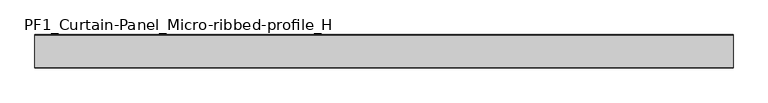
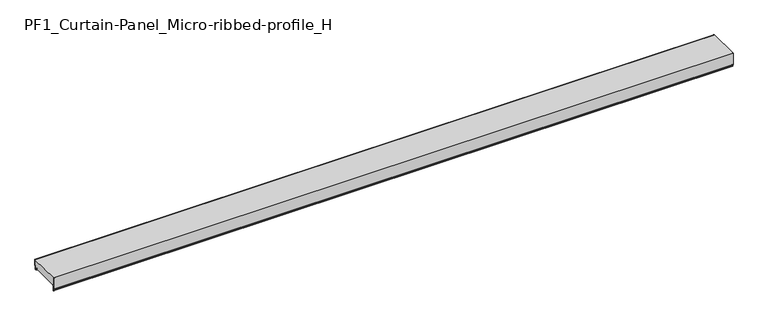
"""IFC4 building model written with IfcOpenShell, lengths in millimetres: plate geometry, PF1_Curtain-Panel_Micro-ribbed-profile_H."""

from ifc_helpers import new_model, si_unit, point, frame, frame_2d, origin, place, context, project, spatial, polyline, circle_curve, trimmed, segment, composite_curve, outline, extrude, source, transform, mapped, element, save


def pf1_curtain_panel_micro_ribbed_profile_h_ad6fae32(model_context):
    return source(origin(), model_context, "Body", "SweptSolid", [
        extrude(outline(composite_curve([segment(polyline([(-190.0, 0.0), (-193.5, 0.0)]), True, "CONTINUOUS"), segment(trimmed(circle_curve(frame_2d((-193.5, -2.0)), 2.0), [point((-193.5, 0.0))], [point((-195.5, -2.0))], True, "CARTESIAN"), True, "CONTINUOUS"), segment(polyline([(-195.5, -2.0), (-195.5, -33.0)]), True, "CONTINUOUS"), segment(trimmed(circle_curve(frame_2d((-196.5, -33.0)), 1.0), [point((-195.5, -33.0))], [point((-197.5, -33.0))], False, "CARTESIAN"), True, "CONTINUOUS"), segment(polyline([(-197.5, -33.0), (-197.5, -26.9)]), True, "CONTINUOUS"), segment(trimmed(circle_curve(frame_2d((-198.4, -26.9)), 0.9), [point((-197.5, -26.9))], [point((-198.4, -26.0))], True, "CARTESIAN"), True, "CONTINUOUS"), segment(trimmed(circle_curve(frame_2d((-198.4, -24.4)), 1.6), [point((-198.4, -26.0))], [point((-200.0, -24.4))], False, "CARTESIAN"), True, "CONTINUOUS"), segment(polyline([(-200.0, -24.4), (-200.0, 50.0), (-199.2, 50.0), (-199.2, -24.4)]), True, "CONTINUOUS"), segment(trimmed(circle_curve(frame_2d((-198.4, -24.4)), 0.8), [point((-199.2, -24.4))], [point((-198.4, -25.2))], True, "CARTESIAN"), True, "CONTINUOUS"), segment(trimmed(circle_curve(frame_2d((-198.6133333, -26.9)), 1.7133333), [point((-198.4, -25.2))], [point((-196.9, -26.9))], False, "CARTESIAN"), True, "CONTINUOUS"), segment(polyline([(-196.9, -26.9), (-196.9, -32.8700312)]), True, "CONTINUOUS"), segment(trimmed(circle_curve(frame_2d((-196.6, -32.8700312)), 0.3), [point((-196.9, -32.8700312))], [point((-196.3, -32.8700312))], True, "CARTESIAN"), True, "CONTINUOUS"), segment(polyline([(-196.3, -32.8700312), (-196.3, -2.0)]), True, "CONTINUOUS"), segment(trimmed(circle_curve(frame_2d((-193.5, -2.0)), 2.8), [point((-196.3, -2.0))], [point((-193.5, 0.8))], False, "CARTESIAN"), True, "CONTINUOUS"), segment(polyline([(-193.5, 0.8), (-190.0, 0.8), (-190.0, 0.0)]), True, "CONTINUOUS")], self_intersect=False)), frame((-2100.0, 0.0, 0.0), z_axis=(1.0, 0.0, 0.0), x_axis=(0.0, 1.0, 0.0)), (0.0, 0.0, 1.0), 4200.0),
        extrude(outline(composite_curve([segment(polyline([(-15.878557, 0.0), (-20.0, 0.0), (-20.0, 0.8), (-15.878557, 0.8)]), True, "CONTINUOUS"), segment(trimmed(circle_curve(frame_2d((-15.878557, -2.0)), 2.8), [point((-15.878557, 0.8))], [point((-13.1503208, -1.370137))], False, "CARTESIAN"), True, "CONTINUOUS"), segment(polyline([(-13.1503208, -1.370137), (-11.728236, -7.529863)]), True, "CONTINUOUS"), segment(trimmed(circle_curve(frame_2d((-9.0, -6.9)), 2.8), [point((-11.728236, -7.529863))], [point((-6.2, -6.9))], True, "CARTESIAN"), True, "CONTINUOUS"), segment(polyline([(-6.2, -6.9), (-6.2, 8.6)]), True, "CONTINUOUS"), segment(trimmed(circle_curve(frame_2d((-3.4, 8.6)), 2.8), [point((-6.2, 8.6))], [point((-3.4, 11.4))], False, "CARTESIAN"), True, "CONTINUOUS"), segment(polyline([(-3.4, 11.4), (-2.0, 11.4)]), True, "CONTINUOUS"), segment(trimmed(circle_curve(frame_2d((-2.0, 12.6)), 1.2), [point((-2.0, 11.4))], [point((-0.8, 12.6))], True, "CARTESIAN"), True, "CONTINUOUS"), segment(polyline([(-0.8, 12.6), (-0.8, 50.0), (0.0, 50.0), (0.0, 12.6)]), True, "CONTINUOUS"), segment(trimmed(circle_curve(frame_2d((-2.0, 12.6)), 2.0), [point((0.0, 12.6))], [point((-2.0, 10.6))], False, "CARTESIAN"), True, "CONTINUOUS"), segment(polyline([(-2.0, 10.6), (-3.4, 10.6)]), True, "CONTINUOUS"), segment(trimmed(circle_curve(frame_2d((-3.4, 8.6)), 2.0), [point((-3.4, 10.6))], [point((-5.4, 8.6))], True, "CARTESIAN"), True, "CONTINUOUS"), segment(polyline([(-5.4, 8.6), (-5.4, -6.9)]), True, "CONTINUOUS"), segment(trimmed(circle_curve(frame_2d((-9.0, -6.9)), 3.6), [point((-5.4, -6.9))], [point((-12.5077322, -7.7098239))], False, "CARTESIAN"), True, "CONTINUOUS"), segment(polyline([(-12.5077322, -7.7098239), (-13.929817, -1.5500979)]), True, "CONTINUOUS"), segment(trimmed(circle_curve(frame_2d((-15.878557, -2.0)), 2.0), [point((-13.929817, -1.5500979))], [point((-15.878557, 0.0))], True, "CARTESIAN"), True, "CONTINUOUS")], self_intersect=False)), frame((-2100.0, 0.0, 0.0), z_axis=(1.0, 0.0, 0.0), x_axis=(0.0, 1.0, 0.0)), (0.0, 0.0, 1.0), 4200.0),
        extrude(outline(composite_curve([segment(polyline([(-190.0, 0.8), (-193.5, 0.8)]), True, "CONTINUOUS"), segment(trimmed(circle_curve(frame_2d((-193.5, -2.0)), 2.8), [point((-193.5, 0.8))], [point((-196.3, -2.0))], True, "CARTESIAN"), True, "CONTINUOUS"), segment(polyline([(-196.3, -2.0), (-196.3, -32.8700312)]), True, "CONTINUOUS"), segment(trimmed(circle_curve(frame_2d((-196.6, -32.8700312)), 0.3), [point((-196.3, -32.8700312))], [point((-196.9, -32.8700312))], False, "CARTESIAN"), True, "CONTINUOUS"), segment(polyline([(-196.9, -32.8700312), (-196.9, -26.9)]), True, "CONTINUOUS"), segment(trimmed(circle_curve(frame_2d((-198.6133333, -26.9)), 1.7133333), [point((-196.9, -26.9))], [point((-198.4, -25.2))], True, "CARTESIAN"), True, "CONTINUOUS"), segment(trimmed(circle_curve(frame_2d((-198.4, -24.4)), 0.8), [point((-198.4, -25.2))], [point((-199.2, -24.4))], False, "CARTESIAN"), True, "CONTINUOUS"), segment(polyline([(-199.2, -24.4), (-199.2, 50.0), (-0.8, 50.0), (-0.8, 12.6)]), True, "CONTINUOUS"), segment(trimmed(circle_curve(frame_2d((-2.0, 12.6)), 1.2), [point((-0.8, 12.6))], [point((-2.0, 11.4))], False, "CARTESIAN"), True, "CONTINUOUS"), segment(polyline([(-2.0, 11.4), (-3.4, 11.4)]), True, "CONTINUOUS"), segment(trimmed(circle_curve(frame_2d((-3.4, 8.6)), 2.8), [point((-3.4, 11.4))], [point((-6.2, 8.6))], True, "CARTESIAN"), True, "CONTINUOUS"), segment(polyline([(-6.2, 8.6), (-6.2, -6.9)]), True, "CONTINUOUS"), segment(trimmed(circle_curve(frame_2d((-9.0, -6.9)), 2.8), [point((-6.2, -6.9))], [point((-11.7282362, -7.529863))], False, "CARTESIAN"), True, "CONTINUOUS"), segment(polyline([(-11.7282362, -7.529863), (-13.1503208, -1.370137)]), True, "CONTINUOUS"), segment(trimmed(circle_curve(frame_2d((-15.878557, -2.0)), 2.8), [point((-13.1503208, -1.370137))], [point((-15.878557, 0.8))], True, "CARTESIAN"), True, "CONTINUOUS"), segment(polyline([(-15.878557, 0.8), (-20.0, 0.8), (-20.0, 0.0), (-190.0, 0.0), (-190.0, 0.8)]), True, "CONTINUOUS")], self_intersect=False)), frame((-2100.0, 0.0, 0.0), z_axis=(1.0, 0.0, 0.0), x_axis=(0.0, 1.0, 0.0)), (0.0, 0.0, 1.0), 4200.0),
    ])


if __name__ == "__main__":
    model = new_model("IFC4")
    model_context = context("Model", 3, world=origin())
    ifc_project = project(units=[si_unit("LENGTHUNIT", "METRE", prefix="MILLI")], contexts=[model_context])
    site = spatial("IfcSite", under=ifc_project)
    building = spatial("IfcBuilding", under=site)
    placement = place(None, origin())
    pf1_curtain_panel_micro_ribbed_profile_h_shape = pf1_curtain_panel_micro_ribbed_profile_h_ad6fae32(model_context)
    element("IfcPlate", 1, ObjectType="PF1_Curtain-Panel_Micro-ribbed-profile_H", at=placement, inside=building, context=model_context, shape_type="MappedRepresentation", body=[
        mapped(pf1_curtain_panel_micro_ribbed_profile_h_shape, transform((0.0, 0.0, 0.0), x_axis=(1.0, 0.0, 0.0), y_axis=(0.0, 1.0, 0.0), z_axis=(0.0, 0.0, 1.0))),
    ])
    save(model, "model.ifc")
